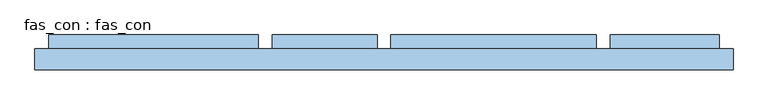
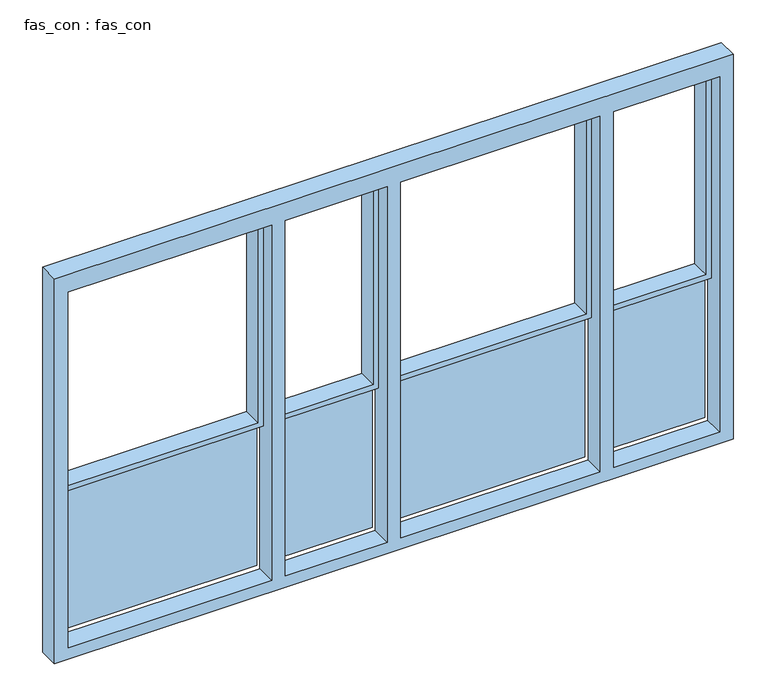
"""IFC4 building model written with IfcOpenShell, lengths in millimetres: window geometry, fas_con : fas_con."""

from ifc_helpers import new_model, si_unit, frame, origin, place, context, project, spatial, polyline, outline, extrude, source, transform, mapped, element, save


def fas_con_fas_con_5fc37878(model_context):
    return source(origin(), model_context, "Body", "SweptSolid", [
        extrude(outline(polyline([(3850.0, -2500.0), (850.0, -2500.0), (850.0, 2500.0), (3850.0, 2500.0), (3850.0, -2500.0)]), holes=[polyline([(940.0, -900.8141783), (940.0, -2400.0), (3711.4513918, -2400.0), (3711.4513918, -900.8141783), (940.0, -900.8141783)]), polyline([(3711.4513918, -800.8141783), (3711.4513918, -50.0), (940.0, -50.0), (940.0, -800.8141783), (3711.4513918, -800.8141783)]), polyline([(3711.4513918, 50.0), (3711.4513918, 1519.1858217), (940.0, 1519.1858217), (940.0, 50.0), (3711.4513918, 50.0)]), polyline([(3711.4513918, 1619.1858217), (3711.4513918, 2400.0), (940.0, 2400.0), (940.0, 1619.1858217), (3711.4513918, 1619.1858217)])]), frame((0.0, 0.0, 0.0), z_axis=(0.0, 1.0, 0.0), x_axis=(0.0, 0.0, 1.0)), (0.0, 0.0, 1.0), 150.0),
        extrude(outline(polyline([(3711.4513918, 1619.1858217), (2078.1757493, 1619.1858217), (2078.1757493, 2400.0), (3711.4513918, 2400.0), (3711.4513918, 1619.1858217)]), holes=[polyline([(3671.4513918, 1659.1858217), (3671.4513918, 2360.0), (2118.1757493, 2360.0), (2118.1757493, 1659.1858217), (3671.4513918, 1659.1858217)])]), frame((0.0, 105.0987312, 0.0), z_axis=(0.0, 1.0, 0.0), x_axis=(0.0, 0.0, 1.0)), (0.0, 0.0, 1.0), 144.9012688),
        extrude(outline(polyline([(3711.4513918, 50.0), (2078.1757493, 50.0), (2078.1757493, 1519.1858217), (3711.4513918, 1519.1858217), (3711.4513918, 50.0)]), holes=[polyline([(3671.4513918, 90.0), (3671.4513918, 1479.1858217), (2118.1757493, 1479.1858217), (2118.1757493, 90.0), (3671.4513918, 90.0)])]), frame((0.0, 105.0987312, 0.0), z_axis=(0.0, 1.0, 0.0), x_axis=(0.0, 0.0, 1.0)), (0.0, 0.0, 1.0), 144.9012688),
        extrude(outline(polyline([(3711.4513918, -800.8141783), (2078.1757493, -800.8141783), (2078.1757493, -50.0), (3711.4513918, -50.0), (3711.4513918, -800.8141783)]), holes=[polyline([(3671.4513918, -760.8141783), (3671.4513918, -90.0), (2118.1757493, -90.0), (2118.1757493, -760.8141783), (3671.4513918, -760.8141783)])]), frame((0.0, 105.0987312, 0.0), z_axis=(0.0, 1.0, 0.0), x_axis=(0.0, 0.0, 1.0)), (0.0, 0.0, 1.0), 144.9012688),
        extrude(outline(polyline([(3711.4513918, -2400.0), (2078.1757493, -2400.0), (2078.1757493, -900.8141783), (3711.4513918, -900.8141783), (3711.4513918, -2400.0)]), holes=[polyline([(3671.4513918, -2360.0), (3671.4513918, -940.8141783), (2118.1757493, -940.8141783), (2118.1757493, -2360.0), (3671.4513918, -2360.0)])]), frame((0.0, 105.0987312, 0.0), z_axis=(0.0, 1.0, 0.0), x_axis=(0.0, 0.0, 1.0)), (0.0, 0.0, 1.0), 144.9012688),
        extrude(outline(polyline([(2400.0, 191.3956328), (1619.1858217, 191.3956328), (1619.1858217, 250.0), (2400.0, 250.0), (2400.0, 191.3956328)])), frame((0.0, 0.0, 940.0), z_axis=(0.0, 0.0, 1.0), x_axis=(1.0, 0.0, 0.0)), (0.0, 0.0, 1.0), 1138.1757493),
        extrude(outline(polyline([(1519.1858217, 191.3956328), (50.0, 191.3956328), (50.0, 250.0), (1519.1858217, 250.0), (1519.1858217, 191.3956328)])), frame((0.0, 0.0, 940.0), z_axis=(0.0, 0.0, 1.0), x_axis=(1.0, 0.0, 0.0)), (0.0, 0.0, 1.0), 1138.1757493),
        extrude(outline(polyline([(-50.0, 191.3956328), (-800.8141783, 191.3956328), (-800.8141783, 250.0), (-50.0, 250.0), (-50.0, 191.3956328)])), frame((0.0, 0.0, 940.0), z_axis=(0.0, 0.0, 1.0), x_axis=(1.0, 0.0, 0.0)), (0.0, 0.0, 1.0), 1138.1757493),
        extrude(outline(polyline([(-900.8141783, 191.3956328), (-2400.0, 191.3956328), (-2400.0, 250.0), (-900.8141783, 250.0), (-900.8141783, 191.3956328)])), frame((0.0, 0.0, 940.0), z_axis=(0.0, 0.0, 1.0), x_axis=(1.0, 0.0, 0.0)), (0.0, 0.0, 1.0), 1138.1757493),
    ])


if __name__ == "__main__":
    model = new_model("IFC4")
    model_context = context("Model", 3, world=origin())
    ifc_project = project(units=[si_unit("LENGTHUNIT", "METRE", prefix="MILLI")], contexts=[model_context])
    site = spatial("IfcSite", under=ifc_project)
    building = spatial("IfcBuilding", under=site)
    placement = place(None, origin())
    fas_con_fas_con_shape = fas_con_fas_con_5fc37878(model_context)
    element("IfcWindow", 1, ObjectType="fas_con : fas_con", at=placement, inside=building, context=model_context, shape_type="MappedRepresentation", body=[
        mapped(fas_con_fas_con_shape, transform((0.0, 0.0, 0.0), x_axis=(1.0, 0.0, 0.0), y_axis=(0.0, 1.0, 0.0), z_axis=(0.0, 0.0, 1.0))),
    ])
    save(model, "model.ifc")
